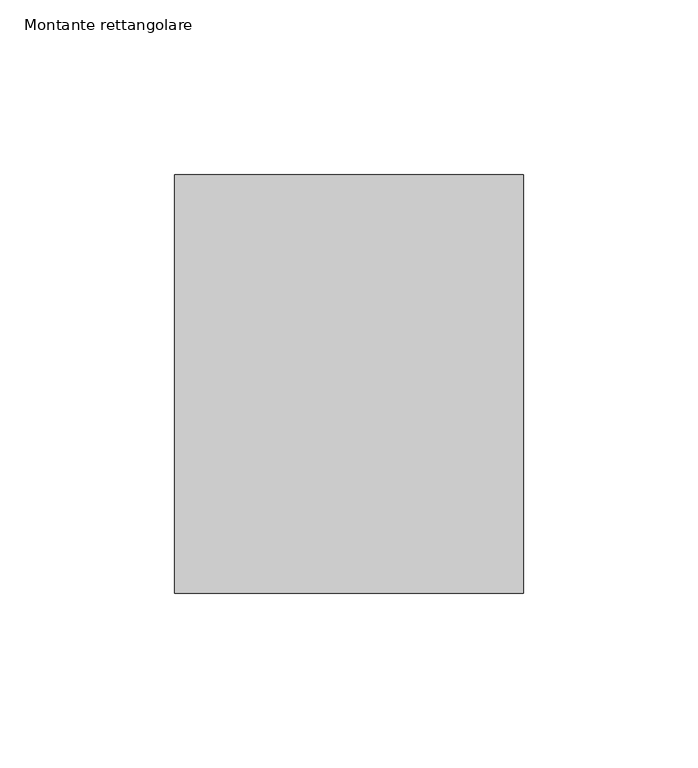
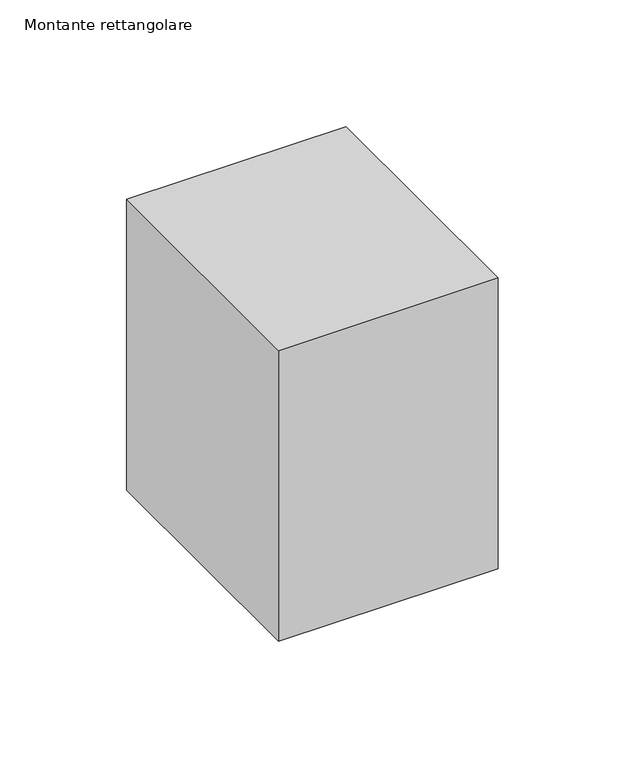
"""IFC4 building model written with IfcOpenShell, lengths in millimetres: member geometry, Montante rettangolare."""

from ifc_helpers import new_model, si_unit, frame, origin, place, context, project, spatial, polyline, outline, extrude, source, transform, mapped, element, save


def montante_rettangolare_d4020c27(model_context):
    return source(origin(), model_context, "Body", "SweptSolid", [
        extrude(outline(polyline([(50.0, 60.0), (50.0, -60.0), (-50.0, -60.0), (-50.0, 60.0), (50.0, 60.0)])), frame((0.0, 0.0, -140.0), z_axis=(0.0, 0.0, 1.0), x_axis=(1.0, 0.0, 0.0)), (0.0, 0.0, 1.0), 140.0),
    ])


if __name__ == "__main__":
    model = new_model("IFC4")
    model_context = context("Model", 3, world=origin())
    ifc_project = project(units=[si_unit("LENGTHUNIT", "METRE", prefix="MILLI")], contexts=[model_context])
    site = spatial("IfcSite", under=ifc_project)
    building = spatial("IfcBuilding", under=site)
    placement = place(None, origin())
    montante_rettangolare_shape = montante_rettangolare_d4020c27(model_context)
    element("IfcMember", 1, ObjectType="Montante rettangolare", at=placement, inside=building, context=model_context, shape_type="MappedRepresentation", body=[
        mapped(montante_rettangolare_shape, transform((0.0, 0.0, 0.0), x_axis=(1.0, 0.0, 0.0), y_axis=(0.0, 1.0, 0.0), z_axis=(0.0, 0.0, 1.0))),
    ])
    save(model, "model.ifc")
